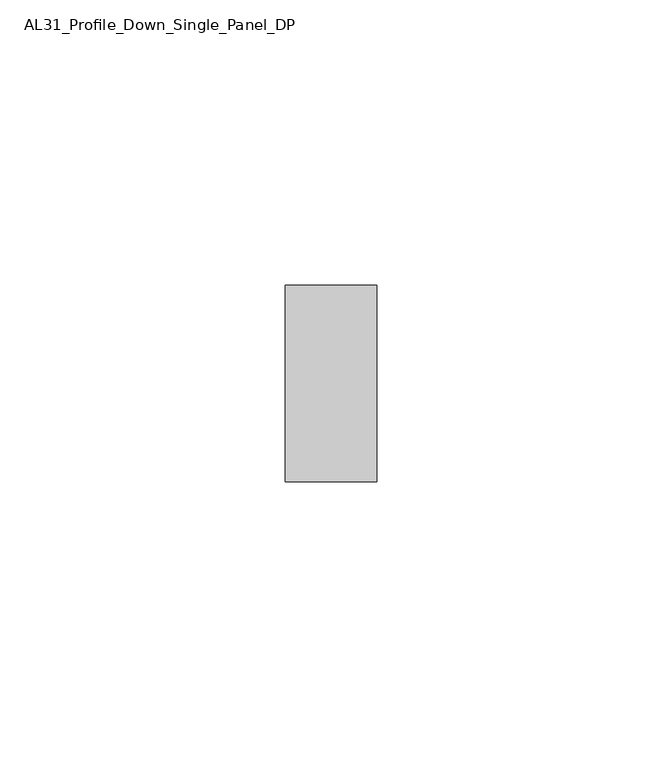
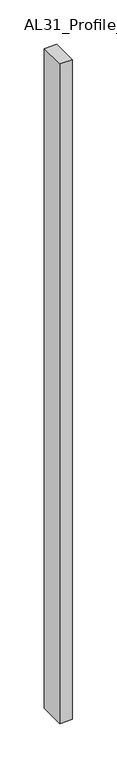
"""IFC4 building model written with IfcOpenShell, lengths in millimetres: member geometry, AL31_Profile_Down_Single_Panel_DP."""

from ifc_helpers import new_model, si_unit, frame, origin, place, context, project, spatial, polyline, outline, extrude, source, transform, mapped, element, save


def al31_profile_down_single_panel_dp_400322c1(model_context):
    return source(origin(), model_context, "Body", "SweptSolid", [
        extrude(outline(polyline([(0.0, 37.107), (0.0, 2.607), (-16.0427074, 2.607), (-16.0427074, 37.107), (0.0, 37.107)])), frame((0.0, 0.0, -905.8602632), z_axis=(0.0, 0.0, 1.0), x_axis=(1.0, 0.0, 0.0)), (0.0, 0.0, 1.0), 905.8602632),
    ])


if __name__ == "__main__":
    model = new_model("IFC4")
    model_context = context("Model", 3, world=origin())
    ifc_project = project(units=[si_unit("LENGTHUNIT", "METRE", prefix="MILLI")], contexts=[model_context])
    site = spatial("IfcSite", under=ifc_project)
    building = spatial("IfcBuilding", under=site)
    placement = place(None, origin())
    al31_profile_down_single_panel_dp_shape = al31_profile_down_single_panel_dp_400322c1(model_context)
    element("IfcMember", 1, ObjectType="AL31_Profile_Down_Single_Panel_DP", at=placement, inside=building, context=model_context, shape_type="MappedRepresentation", body=[
        mapped(al31_profile_down_single_panel_dp_shape, transform((0.0, 0.0, 0.0), x_axis=(1.0, 0.0, 0.0), y_axis=(0.0, 1.0, 0.0), z_axis=(0.0, 0.0, 1.0))),
    ])
    save(model, "model.ifc")
